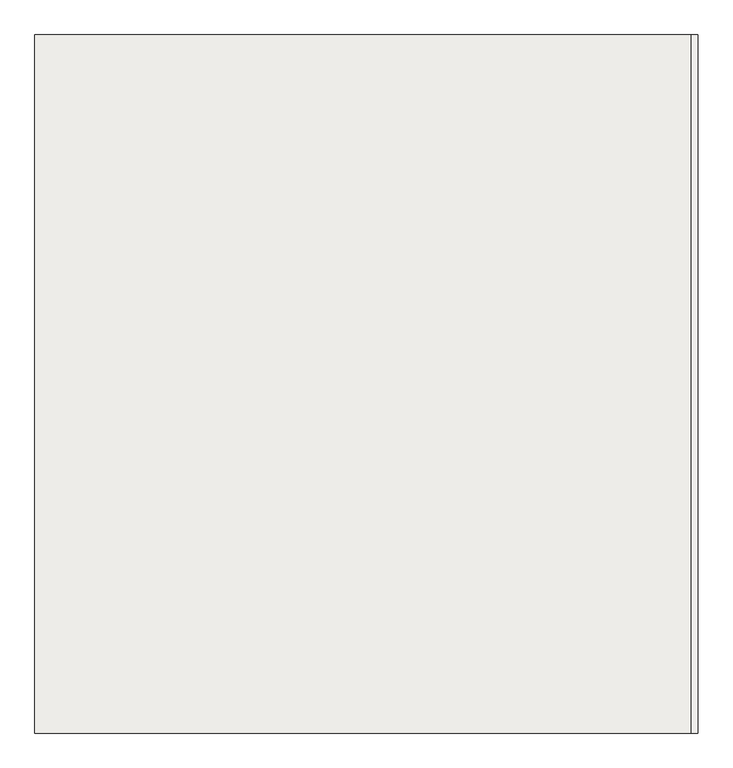
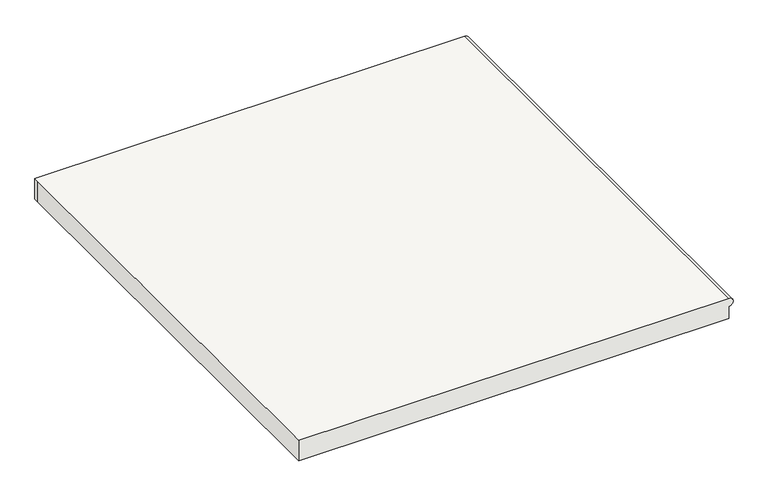
"""IFC4 building model written with IfcOpenShell, lengths in millimetres: slab geometry."""

from ifc_helpers import new_model, si_unit, frame, origin, place, context, project, spatial, circle_curve, source, transform, mapped, element, save
from ifc_brep_helpers import plane_surface, cylinder_surface, advanced_brep


def slab_712615a1(model_context):
    return source(origin(), model_context, "Body", "AdvancedBrep", [
        advanced_brep(
        [(-915.3343834, -1964.8800806, 4675.2958752), (-915.3343834, -1964.8800806, 4695.2958752), (-915.3343834, -3024.8800806, 4695.2958752), (-915.3343834, -3024.8800806, 4675.2958752), (-1912.4763236, -1964.8800806, 4695.2958752), (-1912.4763236, -1974.8800806, 4695.2958752), (-1912.4763236, -3024.8800806, 4695.2958752), (-915.3343834, -1964.8800806, 4645.2958752), (-915.3343834, -3024.8800806, 4645.2958752), (-1912.4763236, -3024.8800806, 4645.2958752), (-1912.4763236, -1974.8800806, 4645.2958752), (-1912.4763236, -1964.8800806, 4645.2958752)],
        [
            (0, 1, circle_curve(frame((-915.3343834, -1964.8800806, 4685.2958752), z_axis=(0.0, -1.0, 0.0), x_axis=(-1.0, 0.0, 0.0)), 10.0)),
            (1, 2),
            (2, 3, circle_curve(frame((-915.3343834, -3024.8800806, 4685.2958752), z_axis=(0.0, 1.0, 0.0), x_axis=(-1.0, 0.0, 0.0)), 10.0)),
            (3, 0),
            (1, 4),
            (4, 5),
            (5, 6),
            (6, 2),
            (7, 8),
            (8, 9),
            (9, 10),
            (10, 11),
            (11, 7),
            (7, 0),
            (3, 8),
            (11, 4),
            (10, 5),
            (9, 6),
        ],
        [
            cylinder_surface(frame((-915.3343834, -1964.8800806, 4685.2958752), z_axis=(0.0, 1.0, 0.0), x_axis=(-1.0, 0.0, 0.0)), 10.0),
            plane_surface(frame((-915.3343834, -3024.8800806, 4695.2958752), z_axis=(0.0, 0.0, 1.0), x_axis=(0.0, 1.0, 0.0))),
            plane_surface(frame((-915.3343834, -3024.8800806, 4645.2958752), z_axis=(0.0, 0.0, -1.0), x_axis=(0.0, -1.0, 0.0))),
            plane_surface(frame((-915.3343834, -3024.8800806, 4695.2958752), z_axis=(1.0, 0.0, 0.0), x_axis=(0.0, 0.0, -1.0))),
            plane_surface(frame((-915.3343834, -1964.8800806, 4695.2958752), z_axis=(0.0, 1.0, 0.0), x_axis=(0.0, 0.0, -1.0))),
            plane_surface(frame((-1912.4763236, -1964.8800806, 4695.2958752), z_axis=(-1.0, 0.0, 0.0), x_axis=(0.0, 0.0, -1.0))),
            plane_surface(frame((-1912.4763236, -1974.8800806, 4695.2958752), z_axis=(-1.0, 0.0, 0.0), x_axis=(0.0, 0.0, -1.0))),
            plane_surface(frame((-1912.4763236, -3024.8800806, 4695.2958752), z_axis=(0.0, -1.0, 0.0), x_axis=(0.0, 0.0, -1.0))),
        ],
        [
            (0, [[1, 2, 3, 4]]),
            (1, [[5, 6, 7, 8, -2]]),
            (2, [[9, 10, 11, 12, 13]]),
            (3, [[-9, 14, -4, 15]]),
            (4, [[-5, -1, -14, -13, 16]]),
            (5, [[-6, -16, -12, 17]]),
            (6, [[-7, -17, -11, 18]]),
            (7, [[-8, -18, -10, -15, -3]]),
        ],
    ),
    ])


if __name__ == "__main__":
    model = new_model("IFC4")
    model_context = context("Model", 3, world=origin())
    ifc_project = project(units=[si_unit("LENGTHUNIT", "METRE", prefix="MILLI")], contexts=[model_context])
    site = spatial("IfcSite", under=ifc_project)
    building = spatial("IfcBuilding", under=site)
    placement = place(None, origin())
    slab_shape = slab_712615a1(model_context)
    element("IfcSlab", 1, at=placement, inside=building, context=model_context, shape_type="MappedRepresentation", body=[
        mapped(slab_shape, transform((0.0, 0.0, 0.0), x_axis=(1.0, 0.0, 0.0), y_axis=(0.0, 1.0, 0.0), z_axis=(0.0, 0.0, 1.0))),
    ])
    save(model, "model.ifc")
